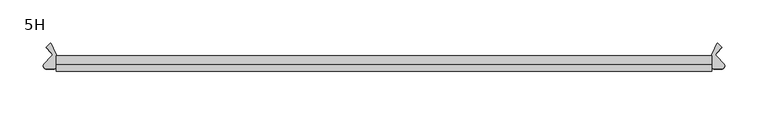
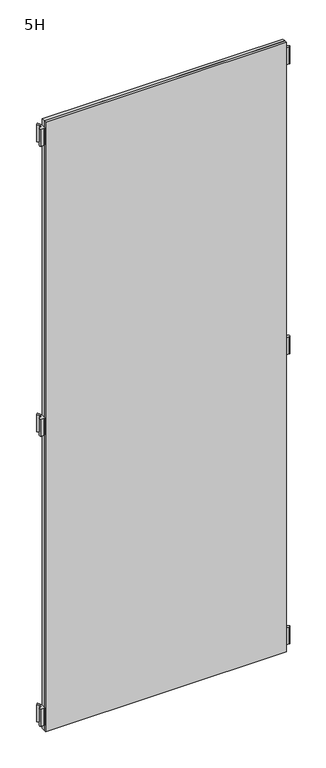
"""IFC4 building model written with IfcOpenShell, lengths in millimetres: furniture geometry, 5H."""

from ifc_helpers import new_model, si_unit, point, frame, frame_2d, origin, place, context, project, spatial, polyline, circle_curve, trimmed, segment, composite_curve, outline, extrude, source, transform, mapped, element, save


def furniture_5h_4164eaab(model_context):
    return source(origin(), model_context, "Body", "SweptSolid", [
        extrude(outline(composite_curve([segment(trimmed(circle_curve(frame_2d((-385.8578644, 0.0)), 3.0), [point((-383.736544, -2.1213203))], [point((-383.736544, 2.1213203))], True, "CARTESIAN"), True, "CONTINUOUS"), segment(polyline([(-383.736544, 2.1213203), (-389.8644234, 8.2491997), (-385.4062846, 12.7073384)]), True, "CONTINUOUS"), segment(trimmed(circle_curve(frame_2d((-384.6991778, 12.0002316)), 1.0), [point((-385.4062846, 12.7073384))], [point((-383.79287, 12.4228499))], False, "CARTESIAN"), True, "CONTINUOUS"), segment(polyline([(-383.79287, 12.4228499), (-378.4684611, 1.004618)]), True, "CONTINUOUS"), segment(trimmed(circle_curve(frame_2d((-383.0, -1.1084733)), 5.0), [point((-378.4684611, 1.004618))], [point((-378.0, -1.1084733))], False, "CARTESIAN"), True, "CONTINUOUS"), segment(polyline([(-378.0, -1.1084733), (-378.0, -13.3369345)]), True, "CONTINUOUS"), segment(trimmed(circle_curve(frame_2d((-381.0, -13.3369345)), 3.0), [point((-378.0, -13.3369345))], [point((-381.0, -16.3369345))], False, "CARTESIAN"), True, "CONTINUOUS"), segment(polyline([(-381.0, -16.3369345), (-389.5024107, -16.3369345)]), True, "CONTINUOUS"), segment(trimmed(circle_curve(frame_2d((-389.5024107, -12.8369345)), 3.5), [point((-389.5024107, -16.3369345))], [point((-391.9772844, -10.3620607))], False, "CARTESIAN"), True, "CONTINUOUS"), segment(polyline([(-391.9772844, -10.3620607), (-383.736544, -2.1213203)]), True, "CONTINUOUS")], self_intersect=False)), frame((0.0, 0.0, 117.0), z_axis=(0.0, 0.0, 1.0), x_axis=(1.0, 0.0, 0.0)), (0.0, 0.0, 1.0), 56.0),
        extrude(outline(composite_curve([segment(polyline([(383.736544, -2.1213203), (391.9772844, -10.3620607)]), True, "CONTINUOUS"), segment(trimmed(circle_curve(frame_2d((389.5024107, -12.8369345)), 3.5), [point((391.9772844, -10.3620607))], [point((389.5024107, -16.3369345))], False, "CARTESIAN"), True, "CONTINUOUS"), segment(polyline([(389.5024107, -16.3369345), (381.0, -16.3369345)]), True, "CONTINUOUS"), segment(trimmed(circle_curve(frame_2d((381.0, -13.3369345)), 3.0), [point((381.0, -16.3369345))], [point((378.0, -13.3369345))], False, "CARTESIAN"), True, "CONTINUOUS"), segment(polyline([(378.0, -13.3369345), (378.0, -1.1084733)]), True, "CONTINUOUS"), segment(trimmed(circle_curve(frame_2d((383.0, -1.1084733)), 5.0), [point((378.0, -1.1084733))], [point((378.4684611, 1.004618))], False, "CARTESIAN"), True, "CONTINUOUS"), segment(polyline([(378.4684611, 1.004618), (383.79287, 12.4228499)]), True, "CONTINUOUS"), segment(trimmed(circle_curve(frame_2d((384.6991778, 12.0002316)), 1.0), [point((383.79287, 12.4228499))], [point((385.4062846, 12.7073384))], False, "CARTESIAN"), True, "CONTINUOUS"), segment(polyline([(385.4062846, 12.7073384), (389.8644234, 8.2491997), (383.736544, 2.1213203)]), True, "CONTINUOUS"), segment(trimmed(circle_curve(frame_2d((385.8578644, 0.0)), 3.0), [point((383.736544, 2.1213203))], [point((383.736544, -2.1213203))], True, "CARTESIAN"), True, "CONTINUOUS")], self_intersect=False)), frame((0.0, 0.0, 117.0), z_axis=(0.0, 0.0, 1.0), x_axis=(1.0, 0.0, 0.0)), (0.0, 0.0, 1.0), 56.0),
        extrude(outline(composite_curve([segment(trimmed(circle_curve(frame_2d((-385.8578644, 0.0)), 3.0), [point((-383.736544, -2.1213203))], [point((-383.736544, 2.1213203))], True, "CARTESIAN"), True, "CONTINUOUS"), segment(polyline([(-383.736544, 2.1213203), (-389.8644234, 8.2491997), (-385.4062846, 12.7073384)]), True, "CONTINUOUS"), segment(trimmed(circle_curve(frame_2d((-384.6991778, 12.0002316)), 1.0), [point((-385.4062846, 12.7073384))], [point((-383.79287, 12.4228499))], False, "CARTESIAN"), True, "CONTINUOUS"), segment(polyline([(-383.79287, 12.4228499), (-378.4684611, 1.004618)]), True, "CONTINUOUS"), segment(trimmed(circle_curve(frame_2d((-383.0, -1.1084733)), 5.0), [point((-378.4684611, 1.004618))], [point((-378.0, -1.1084733))], False, "CARTESIAN"), True, "CONTINUOUS"), segment(polyline([(-378.0, -1.1084733), (-378.0, -13.3369345)]), True, "CONTINUOUS"), segment(trimmed(circle_curve(frame_2d((-381.0, -13.3369345)), 3.0), [point((-378.0, -13.3369345))], [point((-381.0, -16.3369345))], False, "CARTESIAN"), True, "CONTINUOUS"), segment(polyline([(-381.0, -16.3369345), (-389.5024107, -16.3369345)]), True, "CONTINUOUS"), segment(trimmed(circle_curve(frame_2d((-389.5024107, -12.8369345)), 3.5), [point((-389.5024107, -16.3369345))], [point((-391.9772844, -10.3620607))], False, "CARTESIAN"), True, "CONTINUOUS"), segment(polyline([(-391.9772844, -10.3620607), (-383.736544, -2.1213203)]), True, "CONTINUOUS")], self_intersect=False)), frame((0.0, 0.0, 1079.0), z_axis=(0.0, 0.0, 1.0), x_axis=(1.0, 0.0, 0.0)), (0.0, 0.0, 1.0), 56.0),
        extrude(outline(composite_curve([segment(polyline([(383.736544, -2.1213203), (391.9772844, -10.3620607)]), True, "CONTINUOUS"), segment(trimmed(circle_curve(frame_2d((389.5024107, -12.8369345)), 3.5), [point((391.9772844, -10.3620607))], [point((389.5024107, -16.3369345))], False, "CARTESIAN"), True, "CONTINUOUS"), segment(polyline([(389.5024107, -16.3369345), (381.0, -16.3369345)]), True, "CONTINUOUS"), segment(trimmed(circle_curve(frame_2d((381.0, -13.3369345)), 3.0), [point((381.0, -16.3369345))], [point((378.0, -13.3369345))], False, "CARTESIAN"), True, "CONTINUOUS"), segment(polyline([(378.0, -13.3369345), (378.0, -1.1084733)]), True, "CONTINUOUS"), segment(trimmed(circle_curve(frame_2d((383.0, -1.1084733)), 5.0), [point((378.0, -1.1084733))], [point((378.4684611, 1.004618))], False, "CARTESIAN"), True, "CONTINUOUS"), segment(polyline([(378.4684611, 1.004618), (383.79287, 12.4228499)]), True, "CONTINUOUS"), segment(trimmed(circle_curve(frame_2d((384.6991778, 12.0002316)), 1.0), [point((383.79287, 12.4228499))], [point((385.4062846, 12.7073384))], False, "CARTESIAN"), True, "CONTINUOUS"), segment(polyline([(385.4062846, 12.7073384), (389.8644234, 8.2491997), (383.736544, 2.1213203)]), True, "CONTINUOUS"), segment(trimmed(circle_curve(frame_2d((385.8578644, 0.0)), 3.0), [point((383.736544, 2.1213203))], [point((383.736544, -2.1213203))], True, "CARTESIAN"), True, "CONTINUOUS")], self_intersect=False)), frame((0.0, 0.0, 1079.0), z_axis=(0.0, 0.0, 1.0), x_axis=(1.0, 0.0, 0.0)), (0.0, 0.0, 1.0), 56.0),
        extrude(outline(composite_curve([segment(trimmed(circle_curve(frame_2d((-385.8578644, 0.0)), 3.0), [point((-383.736544, -2.1213203))], [point((-383.736544, 2.1213203))], True, "CARTESIAN"), True, "CONTINUOUS"), segment(polyline([(-383.736544, 2.1213203), (-389.8644234, 8.2491997), (-385.4062846, 12.7073384)]), True, "CONTINUOUS"), segment(trimmed(circle_curve(frame_2d((-384.6991778, 12.0002316)), 1.0), [point((-385.4062846, 12.7073384))], [point((-383.79287, 12.4228499))], False, "CARTESIAN"), True, "CONTINUOUS"), segment(polyline([(-383.79287, 12.4228499), (-378.4684611, 1.004618)]), True, "CONTINUOUS"), segment(trimmed(circle_curve(frame_2d((-383.0, -1.1084733)), 5.0), [point((-378.4684611, 1.004618))], [point((-378.0, -1.1084733))], False, "CARTESIAN"), True, "CONTINUOUS"), segment(polyline([(-378.0, -1.1084733), (-378.0, -13.3369345)]), True, "CONTINUOUS"), segment(trimmed(circle_curve(frame_2d((-381.0, -13.3369345)), 3.0), [point((-378.0, -13.3369345))], [point((-381.0, -16.3369345))], False, "CARTESIAN"), True, "CONTINUOUS"), segment(polyline([(-381.0, -16.3369345), (-389.5024107, -16.3369345)]), True, "CONTINUOUS"), segment(trimmed(circle_curve(frame_2d((-389.5024107, -12.8369345)), 3.5), [point((-389.5024107, -16.3369345))], [point((-391.9772844, -10.3620607))], False, "CARTESIAN"), True, "CONTINUOUS"), segment(polyline([(-391.9772844, -10.3620607), (-383.736544, -2.1213203)]), True, "CONTINUOUS")], self_intersect=False)), frame((0.0, 0.0, 2040.1401745), z_axis=(0.0, 0.0, 1.0), x_axis=(1.0, 0.0, 0.0)), (0.0, 0.0, 1.0), 56.0),
        extrude(outline(composite_curve([segment(polyline([(383.736544, -2.1213203), (391.9772844, -10.3620607)]), True, "CONTINUOUS"), segment(trimmed(circle_curve(frame_2d((389.5024107, -12.8369345)), 3.5), [point((391.9772844, -10.3620607))], [point((389.5024107, -16.3369345))], False, "CARTESIAN"), True, "CONTINUOUS"), segment(polyline([(389.5024107, -16.3369345), (381.0, -16.3369345)]), True, "CONTINUOUS"), segment(trimmed(circle_curve(frame_2d((381.0, -13.3369345)), 3.0), [point((381.0, -16.3369345))], [point((378.0, -13.3369345))], False, "CARTESIAN"), True, "CONTINUOUS"), segment(polyline([(378.0, -13.3369345), (378.0, -1.1084733)]), True, "CONTINUOUS"), segment(trimmed(circle_curve(frame_2d((383.0, -1.1084733)), 5.0), [point((378.0, -1.1084733))], [point((378.4684611, 1.004618))], False, "CARTESIAN"), True, "CONTINUOUS"), segment(polyline([(378.4684611, 1.004618), (383.79287, 12.4228499)]), True, "CONTINUOUS"), segment(trimmed(circle_curve(frame_2d((384.6991778, 12.0002316)), 1.0), [point((383.79287, 12.4228499))], [point((385.4062846, 12.7073384))], False, "CARTESIAN"), True, "CONTINUOUS"), segment(polyline([(385.4062846, 12.7073384), (389.8644234, 8.2491997), (383.736544, 2.1213203)]), True, "CONTINUOUS"), segment(trimmed(circle_curve(frame_2d((385.8578644, 0.0)), 3.0), [point((383.736544, 2.1213203))], [point((383.736544, -2.1213203))], True, "CARTESIAN"), True, "CONTINUOUS")], self_intersect=False)), frame((0.0, 0.0, 2040.1401745), z_axis=(0.0, 0.0, 1.0), x_axis=(1.0, 0.0, 0.0)), (0.0, 0.0, 1.0), 56.0),
        extrude(outline(polyline([(378.0, -11.15), (-378.0, -11.15), (-378.0, -1.15), (378.0, -1.15), (378.0, -11.15)])), frame((0.0, 0.0, 97.0), z_axis=(0.0, 0.0, 1.0), x_axis=(1.0, 0.0, 0.0)), (0.0, 0.0, 1.0), 2020.0),
        extrude(outline(polyline([(378.0, -19.15), (-378.0, -19.15), (-378.0, -11.15), (378.0, -11.15), (378.0, -19.15)])), frame((0.0, 0.0, 97.0), z_axis=(0.0, 0.0, 1.0), x_axis=(1.0, 0.0, 0.0)), (0.0, 0.0, 1.0), 2020.0),
    ])


if __name__ == "__main__":
    model = new_model("IFC4")
    model_context = context("Model", 3, world=origin())
    ifc_project = project(units=[si_unit("LENGTHUNIT", "METRE", prefix="MILLI")], contexts=[model_context])
    site = spatial("IfcSite", under=ifc_project)
    building = spatial("IfcBuilding", under=site)
    placement = place(None, origin())
    furniture_5h_shape = furniture_5h_4164eaab(model_context)
    element("IfcFurniture", 1, ObjectType="5H", at=placement, inside=building, context=model_context, shape_type="MappedRepresentation", body=[
        mapped(furniture_5h_shape, transform((0.0, 0.0, 0.0), x_axis=(1.0, 0.0, 0.0), y_axis=(0.0, 1.0, 0.0), z_axis=(0.0, 0.0, 1.0))),
    ])
    save(model, "model.ifc")
